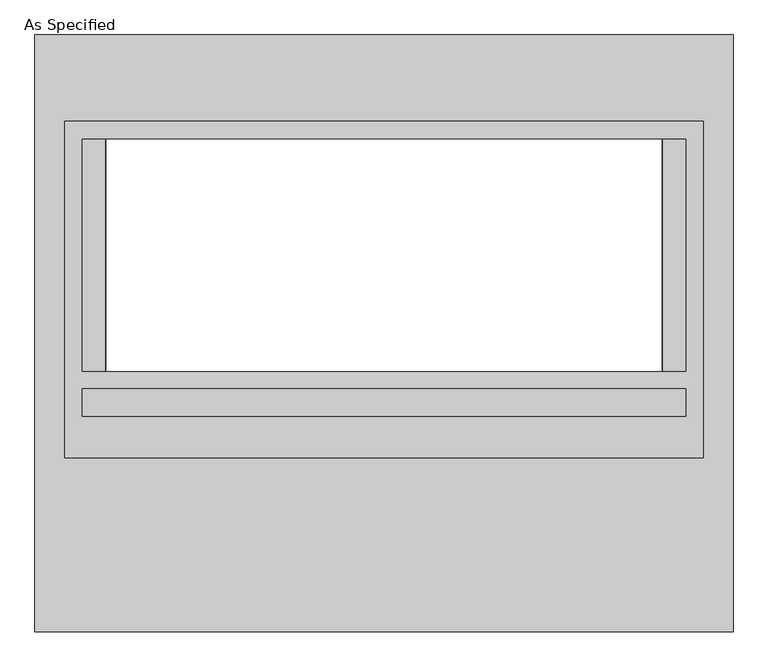
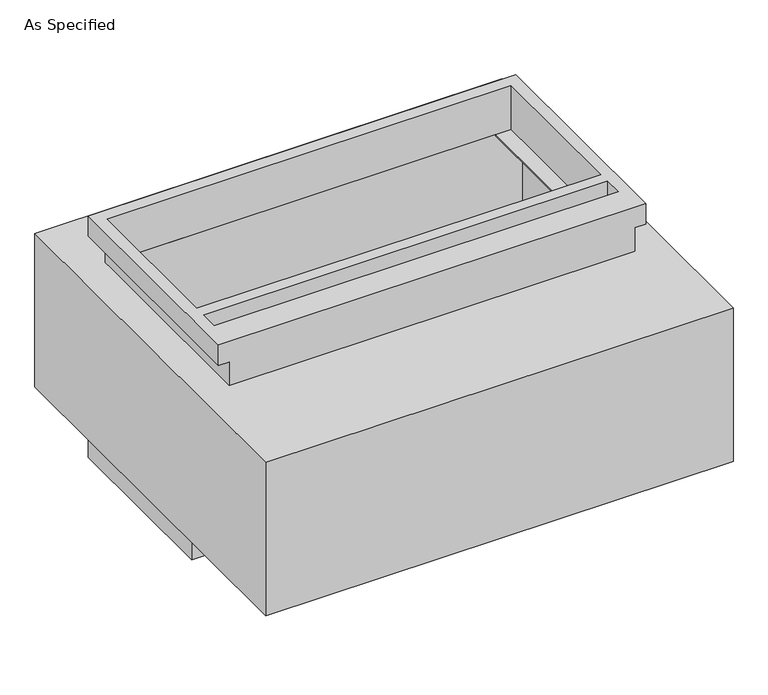
"""IFC4 building model written with IfcOpenShell, lengths in millimetres: proxy geometry, As Specified."""

from ifc_helpers import new_model, si_unit, frame, origin, place, context, project, spatial, polyline, circle_curve, faceted_brep, source, transform, mapped, element, save
from ifc_brep_helpers import plane_surface, revolved_surface, advanced_brep


def as_specified_70854fa7(model_context):
    return source(origin(), model_context, "Body", "SolidModel", [
        faceted_brep([(698.5, 464.2941406, -682.7242188), (698.5, -119.9058594, -682.7242188), (-698.5, -119.9058594, -682.7242188), (-698.5, 464.2941406, -682.7242188), (660.4, -83.3933594, -682.7242188), (660.4, 424.6066406, -682.7242188), (-660.4, 424.6066406, -682.7242188), (-660.4, -83.3933594, -682.7242188), (-663.575, -119.9058594, -530.3242188), (663.575, -119.9058594, -530.3242188), (663.575, 429.3691406, -530.3242188), (-663.575, 429.3691406, -530.3242188), (660.4, 424.6066406, -530.3242188), (660.4, -83.3933594, -530.3242188), (-660.4, -83.3933594, -530.3242188), (-660.4, 424.6066406, -530.3242188), (-698.5, 464.2941406, -612.8742188), (698.5, 464.2941406, -612.8742188), (-698.5, -119.9058594, -612.8742188), (698.5, -119.9058594, -612.8742188), (663.575, -119.9058594, -612.8742188), (-663.575, -119.9058594, -612.8742188), (-663.575, 429.3691406, -612.8742188), (663.575, 429.3691406, -612.8742188)], [[[0, 1, 2, 3], [4, 5, 6, 7]], [[8, 9, 10, 11], [12, 13, 14, 15]], [[0, 3, 16, 17]], [[3, 2, 18, 16]], [[2, 1, 19, 20, 9, 8, 21, 18]], [[1, 0, 17, 19]], [[22, 23, 20, 19, 17, 16, 18, 21]], [[23, 10, 9, 20]], [[23, 22, 11, 10]], [[11, 22, 21, 8]], [[12, 5, 4, 13]], [[13, 4, 7, 14]], [[14, 7, 6, 15]], [[5, 12, 15, 6]]]),
        advanced_brep(
        [(764.38125, 653.3058594, -530.3242188), (764.38125, -653.3058594, -530.3242188), (-764.38125, -653.3058594, -530.3242188), (-764.38125, 653.3058594, -530.3242188), (609.6, -83.3933594, -530.3242188), (609.6, 424.6066406, -530.3242188), (-609.6, 424.6066406, -530.3242188), (-609.6, -83.3933594, -530.3242188), (764.38125, 653.3058594, 0.0), (-764.38125, 653.3058594, 0.0), (-764.38125, -653.3058594, 0.0), (764.38125, -653.3058594, 0.0), (609.6, 424.6066406, 0.0), (609.6, -83.3933594, 0.0), (-609.6, -83.3933594, 0.0), (-609.6, 424.6066406, 0.0), (764.38125, -272.3058594, -430.3117188), (764.38125, -294.5308594, -430.3117188), (764.38125, -170.7058594, -430.3117188), (764.38125, -192.9308594, -430.3117188), (764.38125, -272.3058594, -100.1117188), (764.38125, -294.5308594, -100.1117188), (764.38125, -170.7058594, -100.1117188), (764.38125, -192.9308594, -100.1117188), (-698.5, 424.6066406, -527.05), (-698.5, -83.3933594, -527.05), (-609.6, -83.3933594, -527.05), (-609.6, 424.6066406, -527.05), (698.5, -83.3933594, -527.05), (698.5, 424.6066406, -527.05), (609.6, 424.6066406, -527.05), (609.6, -83.3933594, -527.05), (698.5, 424.6066406, -3.175), (698.5, -83.3933594, -3.175), (609.6, -83.3933594, -3.175), (609.6, 424.6066406, -3.175), (-698.5, -83.3933594, -3.175), (-698.5, 424.6066406, -3.175), (-609.6, 424.6066406, -3.175), (-609.6, -83.3933594, -3.175), (748.528271, -294.5308594, -430.3117188), (748.528271, -272.3058594, -430.3117188), (748.528271, -192.9308594, -430.3117188), (748.528271, -170.7058594, -430.3117188), (748.528271, -294.5308594, -100.1117188), (748.528271, -272.3058594, -100.1117188), (748.528271, -192.9308594, -100.1117188), (748.528271, -170.7058594, -100.1117188)],
        [
            (0, 1),
            (1, 2),
            (2, 3),
            (3, 0),
            (4, 5),
            (5, 6),
            (6, 7),
            (7, 4),
            (8, 9),
            (9, 10),
            (10, 11),
            (11, 8),
            (12, 13),
            (13, 14),
            (14, 15),
            (15, 12),
            (3, 9),
            (8, 0),
            (2, 10),
            (1, 11),
            (16, 17, circle_curve(frame((764.38125, -283.4183594, -430.3117188), z_axis=(-1.0, 0.0, 0.0), x_axis=(0.0, 1.0, 0.0)), 11.1125)),
            (17, 16, circle_curve(frame((764.38125, -283.4183594, -430.3117188), z_axis=(-1.0, 0.0, 0.0), x_axis=(0.0, 1.0, 0.0)), 11.1125)),
            (18, 19, circle_curve(frame((764.38125, -181.8183594, -430.3117188), z_axis=(-1.0, 0.0, 0.0), x_axis=(0.0, 1.0, 0.0)), 11.1125)),
            (19, 18, circle_curve(frame((764.38125, -181.8183594, -430.3117188), z_axis=(-1.0, 0.0, 0.0), x_axis=(0.0, 1.0, 0.0)), 11.1125)),
            (20, 21, circle_curve(frame((764.38125, -283.4183594, -100.1117188), z_axis=(-1.0, 0.0, 0.0), x_axis=(0.0, 1.0, 0.0)), 11.1125)),
            (21, 20, circle_curve(frame((764.38125, -283.4183594, -100.1117188), z_axis=(-1.0, 0.0, 0.0), x_axis=(0.0, 1.0, 0.0)), 11.1125)),
            (22, 23, circle_curve(frame((764.38125, -181.8183594, -100.1117188), z_axis=(-1.0, 0.0, 0.0), x_axis=(0.0, 1.0, 0.0)), 11.1125)),
            (23, 22, circle_curve(frame((764.38125, -181.8183594, -100.1117188), z_axis=(-1.0, 0.0, 0.0), x_axis=(0.0, 1.0, 0.0)), 11.1125)),
            (24, 25),
            (25, 26),
            (26, 27),
            (27, 24),
            (28, 29),
            (29, 30),
            (30, 31),
            (31, 28),
            (32, 33),
            (33, 34),
            (34, 35),
            (35, 32),
            (36, 37),
            (37, 38),
            (38, 39),
            (39, 36),
            (28, 33),
            (32, 29),
            (31, 4),
            (7, 26),
            (25, 36),
            (39, 14),
            (13, 34),
            (24, 37),
            (35, 12),
            (15, 38),
            (27, 6),
            (5, 30),
            (40, 41, circle_curve(frame((748.528271, -283.4183594, -430.3117188), z_axis=(1.0, 0.0, 0.0), x_axis=(0.0, 1.0, 0.0)), 11.1125)),
            (41, 40, circle_curve(frame((748.528271, -283.4183594, -430.3117188), z_axis=(1.0, 0.0, 0.0), x_axis=(0.0, 1.0, 0.0)), 11.1125)),
            (42, 43, circle_curve(frame((748.528271, -181.8183594, -430.3117188), z_axis=(1.0, 0.0, 0.0), x_axis=(0.0, 1.0, 0.0)), 11.1125)),
            (43, 42, circle_curve(frame((748.528271, -181.8183594, -430.3117188), z_axis=(1.0, 0.0, 0.0), x_axis=(0.0, 1.0, 0.0)), 11.1125)),
            (44, 45, circle_curve(frame((748.528271, -283.4183594, -100.1117188), z_axis=(1.0, 0.0, 0.0), x_axis=(0.0, 1.0, 0.0)), 11.1125)),
            (45, 44, circle_curve(frame((748.528271, -283.4183594, -100.1117188), z_axis=(1.0, 0.0, 0.0), x_axis=(0.0, 1.0, 0.0)), 11.1125)),
            (46, 47, circle_curve(frame((748.528271, -181.8183594, -100.1117188), z_axis=(1.0, 0.0, 0.0), x_axis=(0.0, 1.0, 0.0)), 11.1125)),
            (47, 46, circle_curve(frame((748.528271, -181.8183594, -100.1117188), z_axis=(1.0, 0.0, 0.0), x_axis=(0.0, 1.0, 0.0)), 11.1125)),
            (40, 17),
            (16, 41),
            (42, 19),
            (18, 43),
            (44, 21),
            (20, 45),
            (46, 23),
            (22, 47),
        ],
        [
            plane_surface(frame((-764.38125, 653.3058594, -530.3242188), z_axis=(0.0, 0.0, -1.0), x_axis=(1.0, 0.0, 0.0))),
            plane_surface(frame((-764.38125, 653.3058594, 0.0), z_axis=(0.0, 0.0, 1.0), x_axis=(-1.0, 0.0, 0.0))),
            plane_surface(frame((764.38125, 653.3058594, 0.0), z_axis=(0.0, 1.0, 0.0), x_axis=(0.0, 0.0, -1.0))),
            plane_surface(frame((-764.38125, 653.3058594, 0.0), z_axis=(-1.0, 0.0, 0.0), x_axis=(0.0, 0.0, -1.0))),
            plane_surface(frame((-764.38125, -653.3058594, 0.0), z_axis=(0.0, -1.0, 0.0), x_axis=(0.0, 0.0, -1.0))),
            plane_surface(frame((764.38125, -653.3058594, 0.0), z_axis=(1.0, 0.0, 0.0), x_axis=(0.0, 0.0, -1.0))),
            plane_surface(frame((698.5, 424.6066406, -527.05), z_axis=(0.0, 0.0, 1.0), x_axis=(0.0, -1.0, 0.0))),
            plane_surface(frame((698.5, 424.6066406, -3.175), z_axis=(0.0, 0.0, -1.0), x_axis=(0.0, 1.0, 0.0))),
            plane_surface(frame((698.5, 424.6066406, -527.05), z_axis=(-1.0, 0.0, 0.0), x_axis=(0.0, 0.0, 1.0))),
            plane_surface(frame((698.5, -83.3933594, -527.05), z_axis=(0.0, 1.0, 0.0), x_axis=(0.0, 0.0, 1.0))),
            plane_surface(frame((-698.5, -83.3933594, -527.05), z_axis=(1.0, 0.0, 0.0), x_axis=(0.0, 0.0, 1.0))),
            plane_surface(frame((-698.5, 424.6066406, -527.05), z_axis=(0.0, -1.0, 0.0), x_axis=(0.0, 0.0, 1.0))),
            plane_surface(frame((609.6, 424.6066406, -25.4), z_axis=(-1.0, 0.0, 0.0), x_axis=(0.0, 0.0, 1.0))),
            plane_surface(frame((-609.6, -83.3933594, -25.4), z_axis=(1.0, 0.0, 0.0), x_axis=(0.0, 0.0, 1.0))),
            plane_surface(frame((748.528271, -272.3058594, -430.3117188), z_axis=(1.0, 0.0, 0.0), x_axis=(0.0, 0.0, -1.0))),
            revolved_surface(polyline([(764.38125, -272.3058594, -430.3117188), (748.528271, -272.3058594, -430.3117188)]), (748.528271, -283.4183594, -430.3117188), (1.0, 0.0, 0.0)),
            revolved_surface(polyline([(764.38125, -170.70585939999998, -430.3117188), (748.528271, -170.70585939999998, -430.3117188)]), (0.0, -181.8183594, -430.3117188), (1.0, 0.0, 0.0)),
            revolved_surface(polyline([(764.38125, -272.3058594, -100.1117188), (748.528271, -272.3058594, -100.1117188)]), (0.0, -283.4183594, -100.1117188), (1.0, 0.0, 0.0)),
            revolved_surface(polyline([(764.38125, -170.70585939999998, -100.1117188), (748.528271, -170.70585939999998, -100.1117188)]), (0.0, -181.8183594, -100.1117188), (1.0, 0.0, 0.0)),
            plane_surface(frame((609.6, -83.3933594, -504.9242188), z_axis=(-1.0, 0.0, 0.0), x_axis=(0.0, 0.0, -1.0))),
            plane_surface(frame((-609.6, 424.6066406, -504.9242188), z_axis=(1.0, 0.0, 0.0), x_axis=(0.0, 0.0, -1.0))),
        ],
        [
            (0, [[1, 2, 3, 4], [5, 6, 7, 8]]),
            (1, [[9, 10, 11, 12], [13, 14, 15, 16]]),
            (2, [[-4, 17, -9, 18]]),
            (3, [[-3, 19, -10, -17]]),
            (4, [[-2, 20, -11, -19]]),
            (5, [[-1, -18, -12, -20], [21, 22], [23, 24], [25, 26], [27, 28]]),
            (6, [[29, 30, 31, 32]]),
            (6, [[33, 34, 35, 36]]),
            (7, [[37, 38, 39, 40]]),
            (7, [[41, 42, 43, 44]]),
            (8, [[-33, 45, -37, 46]]),
            (9, [[-45, -36, 47, -8, 48, -30, 49, -44, 50, -14, 51, -38]]),
            (10, [[-29, 52, -41, -49]]),
            (11, [[-46, -40, 53, -16, 54, -42, -52, -32, 55, -6, 56, -34]]),
            (12, [[-53, -39, -51, -13]]),
            (13, [[-50, -43, -54, -15]]),
            (14, [[57, 58]]),
            (14, [[59, 60]]),
            (14, [[61, 62]]),
            (14, [[63, 64]]),
            (15, [[-57, 65, -21, 66]]),
            (15, [[-58, -66, -22, -65]]),
            (16, [[-59, 67, -23, 68]]),
            (16, [[-60, -68, -24, -67]]),
            (17, [[-61, 69, -25, 70]]),
            (17, [[-62, -70, -26, -69]]),
            (18, [[-63, 71, -27, 72]]),
            (18, [[-64, -72, -28, -71]]),
            (19, [[-47, -35, -56, -5]]),
            (20, [[-48, -7, -55, -31]]),
        ],
    ),
        faceted_brep([(698.5, 464.2941406, 152.4), (-698.5, 464.2941406, 152.4), (-698.5, -272.3058594, 152.4), (698.5, -272.3058594, 152.4), (660.4, 424.6066406, 152.4), (660.4, -83.3933594, 152.4), (-660.4, -83.3933594, 152.4), (-660.4, 424.6066406, 152.4), (660.4, -121.4933594, 152.4), (660.4, -181.8183594, 152.4), (-660.4, -181.8183594, 152.4), (-660.4, -121.4933594, 152.4), (663.575, -272.3058594, 0.0), (-663.575, -272.3058594, 0.0), (-663.575, 429.3691406, 0.0), (663.575, 429.3691406, 0.0), (660.4, -83.3933594, 0.0), (660.4, 424.6066406, 0.0), (-660.4, 424.6066406, 0.0), (-660.4, -83.3933594, 0.0), (698.5, 464.2941406, 82.55), (-698.5, 464.2941406, 82.55), (-698.5, -272.3058594, 82.55), (-663.575, -272.3058594, 82.55), (663.575, -272.3058594, 82.55), (698.5, -272.3058594, 82.55), (663.575, 429.3691406, 82.55), (-663.575, 429.3691406, 82.55), (660.4, -121.4933594, 82.55), (-660.4, -121.4933594, 82.55), (-660.4, -181.8183594, 82.55), (660.4, -181.8183594, 82.55)], [[[0, 1, 2, 3], [4, 5, 6, 7], [8, 9, 10, 11]], [[12, 13, 14, 15], [16, 17, 18, 19]], [[1, 0, 20, 21]], [[2, 1, 21, 22]], [[3, 2, 22, 23, 13, 12, 24, 25]], [[0, 3, 25, 20]], [[24, 26, 27, 23, 22, 21, 20, 25]], [[26, 24, 12, 15]], [[27, 26, 15, 14]], [[23, 27, 14, 13]], [[16, 5, 4, 17]], [[5, 16, 19, 6]], [[6, 19, 18, 7]], [[17, 4, 7, 18]], [[28, 29, 30, 31]], [[28, 31, 9, 8]], [[31, 30, 10, 9]], [[30, 29, 11, 10]], [[29, 28, 8, 11]]]),
    ])


if __name__ == "__main__":
    model = new_model("IFC4")
    model_context = context("Model", 3, world=origin())
    ifc_project = project(units=[si_unit("LENGTHUNIT", "METRE", prefix="MILLI")], contexts=[model_context])
    site = spatial("IfcSite", under=ifc_project)
    building = spatial("IfcBuilding", under=site)
    placement = place(None, origin())
    as_specified_shape = as_specified_70854fa7(model_context)
    element("IfcBuildingElementProxy", 1, Name="As Specified", ObjectType="As Specified", at=placement, inside=building, context=model_context, shape_type="MappedRepresentation", body=[
        mapped(as_specified_shape, transform((0.0, 0.0, 0.0), x_axis=(1.0, 0.0, 0.0), y_axis=(0.0, 1.0, 0.0), z_axis=(0.0, 0.0, 1.0))),
    ])
    save(model, "model.ifc")
